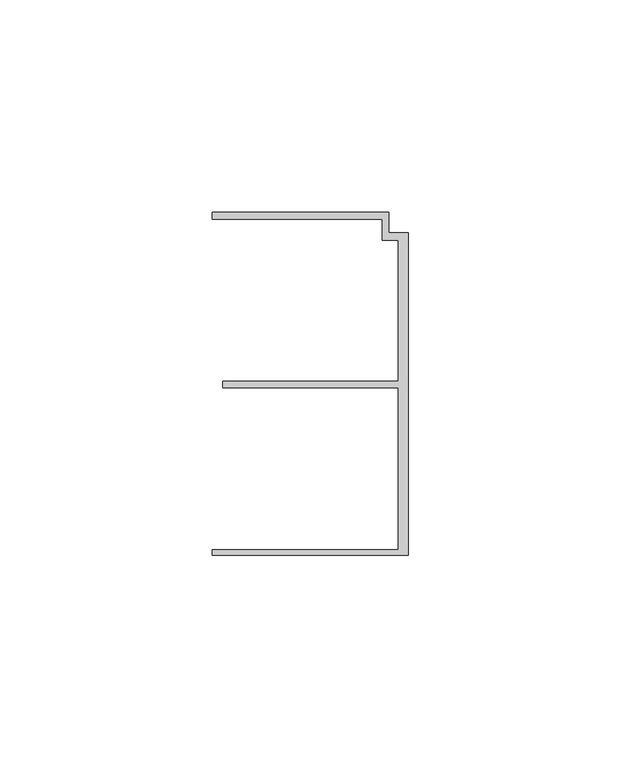
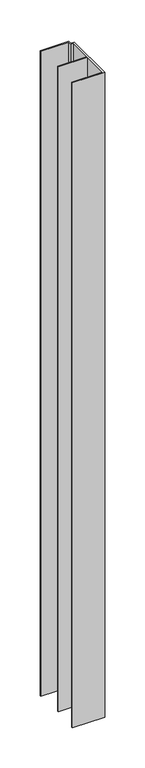
"""IFC4 building model written with IfcOpenShell, lengths in millimetres: member geometry."""

import ifcopenshell
import ifcopenshell.guid

model = None  # the IFC model being written
_history = None  # IfcOwnerHistory: only IFC2X3 demands one
_inside = {}  # id of a spatial element -> (the spatial element, [elements in it])
_under = {}  # id of a project, library or spatial element -> (it, [spatial elements below it])
_declared = {}  # id of a project -> (the project, [libraries it declares])
_typed = {}  # id of a type object -> (the type object, [elements of that type])
_made_of = {}  # id of a material, layer set ... -> (it, [elements and type objects made of it])


def new_model(schema):
    """Start an empty IFC model of exactly this schema.

    Asked for "IFC4X3", IfcOpenShell would pick the latest addendum, in which some entities
    have other attributes; the version numbers below select the first issue.
    IFC2X3 requires an IfcOwnerHistory on every rooted entity: one is made here for all.
    """
    global model, _history
    if schema == "IFC4X3":
        model = ifcopenshell.file(schema_version=(4, 3, 0, 0))
    else:
        model = ifcopenshell.file(schema=schema)
    _inside.clear()
    _under.clear()
    _declared.clear()
    _typed.clear()
    _made_of.clear()
    _history = None
    if model.schema == "IFC2X3":
        org = make("IfcOrganization", Name="unknown")
        user = make(
            "IfcPersonAndOrganization",
            ThePerson=make("IfcPerson", FamilyName="unknown"),
            TheOrganization=org,
        )
        app = make(
            "IfcApplication",
            ApplicationDeveloper=org,
            Version="unknown",
            ApplicationFullName="unknown",
            ApplicationIdentifier="unknown",
        )
        _history = make(
            "IfcOwnerHistory",
            OwningUser=user,
            OwningApplication=app,
            ChangeAction="ADDED",
            CreationDate=0,
        )
    return model


def make(cls, **values):
    """One entity of the class cls with the attributes given. An attribute that is None is left unset."""
    return model.create_entity(
        cls, **{name: value for name, value in values.items() if value is not None}
    )


def rooted(cls, **values):
    """An entity with a GlobalId (a new one), such as an element, a storey or a relation."""
    return make(cls, GlobalId=ifcopenshell.guid.new(), OwnerHistory=_history, **values)


def si_unit(unit_type, name, prefix=None):
    """IfcSIUnit, for example si_unit("LENGTHUNIT", "METRE", prefix="MILLI")."""
    return make("IfcSIUnit", UnitType=unit_type, Prefix=prefix, Name=name)


def assignment(units):
    """IfcUnitAssignment: the units of a project."""
    return None if units is None else make("IfcUnitAssignment", Units=units)


def point(xyz):
    """IfcCartesianPoint."""
    return None if xyz is None else make("IfcCartesianPoint", Coordinates=xyz)


def direction(xyz):
    """IfcDirection."""
    return None if xyz is None else make("IfcDirection", DirectionRatios=xyz)


def frame(location, z_axis=None, x_axis=None):
    """IfcAxis2Placement3D, a coordinate frame: its origin and axes. An axis left out is left unset."""
    return make(
        "IfcAxis2Placement3D",
        Location=point(location),
        Axis=direction(z_axis),
        RefDirection=direction(x_axis),
    )


def origin():
    """The frame at (0, 0, 0) with its axes left unset."""
    return frame((0.0, 0.0, 0.0))


def place(relative_to, where):
    """IfcLocalPlacement: puts the frame where relative to a parent placement (None: the world)."""
    return make(
        "IfcLocalPlacement", PlacementRelTo=relative_to, RelativePlacement=where
    )


def context(
    kind, dimensions, precision=None, world=None, true_north=None, identifier=None
):
    """IfcGeometricRepresentationContext, for example the 3D "Model" context."""
    return make(
        "IfcGeometricRepresentationContext",
        ContextIdentifier=identifier,
        ContextType=kind,
        CoordinateSpaceDimension=dimensions,
        Precision=precision,
        WorldCoordinateSystem=world,
        TrueNorth=true_north,
    )


def project(units=None, contexts=None):
    """IfcProject with its units and contexts."""
    return rooted(
        "IfcProject",
        Name="project",
        RepresentationContexts=contexts,
        UnitsInContext=assignment(units),
    )


def spatial(cls, under=None, at=None, **own):
    """A site, building, storey or space (cls), placed at a placement, below another one or the project."""
    s = rooted(cls, ObjectPlacement=at, **own)
    if under is not None:
        _under.setdefault(under.id(), (under, []))[1].append(s)
    return s


def polyline(points):
    """IfcPolyline through the points."""
    return make("IfcPolyline", Points=[point(p) for p in points])


def outline(outer, holes=None, kind="AREA"):
    """IfcArbitraryClosedProfileDef: a profile drawn as a closed curve; with holes, ...WithVoids."""
    if holes is None:
        return make("IfcArbitraryClosedProfileDef", ProfileType=kind, OuterCurve=outer)
    return make(
        "IfcArbitraryProfileDefWithVoids",
        ProfileType=kind,
        OuterCurve=outer,
        InnerCurves=holes,
    )


def extrude(swept, where, along, depth):
    """IfcExtrudedAreaSolid: the profile swept, set in the frame where, extruded along a direction by depth."""
    return make(
        "IfcExtrudedAreaSolid",
        SweptArea=swept,
        Position=where,
        ExtrudedDirection=direction(along),
        Depth=depth,
    )


def shape(context_of_items, identifier, shape_type, items):
    """IfcShapeRepresentation: the items that make up one representation, for example the "Body"."""
    return make(
        "IfcShapeRepresentation",
        ContextOfItems=context_of_items,
        RepresentationIdentifier=identifier,
        RepresentationType=shape_type,
        Items=items,
    )


def source(mapping_origin, context_of_items, identifier, shape_type, items):
    """IfcRepresentationMap: a shape defined once, which mapped items show again and again."""
    return make(
        "IfcRepresentationMap",
        MappingOrigin=mapping_origin,
        MappedRepresentation=shape(context_of_items, identifier, shape_type, items),
    )


def transform(
    local_origin,
    x_axis=None,
    y_axis=None,
    z_axis=None,
    scale=None,
    scale2=None,
    scale3=None,
    uniform=True,
):
    """IfcCartesianTransformationOperator3D, or its non-uniform kind. x_axis, y_axis, z_axis: its Axis1, 2, 3."""
    if uniform:
        return make(
            "IfcCartesianTransformationOperator3D",
            Axis1=direction(x_axis),
            Axis2=direction(y_axis),
            LocalOrigin=point(local_origin),
            Scale=scale,
            Axis3=direction(z_axis),
        )
    return make(
        "IfcCartesianTransformationOperator3DnonUniform",
        Axis1=direction(x_axis),
        Axis2=direction(y_axis),
        LocalOrigin=point(local_origin),
        Scale=scale,
        Axis3=direction(z_axis),
        Scale2=scale2,
        Scale3=scale3,
    )


def mapped(mapping_source, mapping_target):
    """IfcMappedItem: shows the shape of a source again, moved by a transform."""
    return make(
        "IfcMappedItem", MappingSource=mapping_source, MappingTarget=mapping_target
    )


def made_of(thing, what):
    """Note that an element or type object is made of a material, layer set ...; save() writes the relation."""
    if what is not None:
        _made_of.setdefault(what.id(), (what, []))[1].append(thing)
    return thing


def element(
    cls,
    number,
    at=None,
    inside=None,
    cuts=None,
    type_object=None,
    material=None,
    context=None,
    identifier="Body",
    shape_type=None,
    held_by="IfcProductDefinitionShape",
    body=None,
    shapes=None,
    **own,
):
    """One element of the class cls, such as IfcWall. Its Tag is "e" and its number.

    at: its placement. inside: the storey or other place that contains it. cuts: it is an
    opening in that element (IfcRelVoidsElement). A single representation is given by context,
    identifier, shape_type and body (its items); several are given by shapes. held_by: the class
    of the entity that holds the representations. save() writes the other relations.
    """
    e = rooted(cls, Tag="e%d" % number, ObjectPlacement=at, **own)
    if body is not None:
        shapes = [shape(context, identifier, shape_type, body)]
    if shapes is not None:
        e.Representation = make(held_by, Representations=shapes)
    if inside is not None:
        _inside.setdefault(inside.id(), (inside, []))[1].append(e)
    if cuts is not None:
        rooted(
            "IfcRelVoidsElement", RelatingBuildingElement=cuts, RelatedOpeningElement=e
        )
    if type_object is not None:
        _typed.setdefault(type_object.id(), (type_object, []))[1].append(e)
    return made_of(e, material)


def aggregate(whole, parts):
    """IfcRelAggregates: a whole, such as a stair, and the parts it consists of."""
    return rooted("IfcRelAggregates", RelatingObject=whole, RelatedObjects=parts)


def save(model, path):
    """Write the relations noted so far, then the file.

    IfcRelAggregates (storeys below a building ...), IfcRelContainedInSpatialStructure (elements
    in a storey), IfcRelDefinesByType, IfcRelAssociatesMaterial and IfcRelDeclares: one each for
    every whole, place, type object, material and project.
    """
    for whole, parts in _under.values():
        aggregate(whole, parts)
    for where, things in _inside.values():
        rooted(
            "IfcRelContainedInSpatialStructure",
            RelatedElements=things,
            RelatingStructure=where,
        )
    for kind, things in _typed.values():
        rooted("IfcRelDefinesByType", RelatedObjects=things, RelatingType=kind)
    for what, things in _made_of.values():
        rooted("IfcRelAssociatesMaterial", RelatedObjects=things, RelatingMaterial=what)
    for by, libraries in _declared.values():
        rooted("IfcRelDeclares", RelatingContext=by, RelatedDefinitions=libraries)
    model.write(path)


def member_af716996(model_context):
    return source(origin(), model_context, "Body", "SweptSolid", [
        extrude(outline(polyline([(-6.2, 33.95), (-6.2, 38.95), (-46.3, 38.95), (-46.3, 40.65), (-4.6999992, 40.65), (-4.6999992, 35.75), (0.0, 35.75), (0.0, -40.25), (-46.3, -40.25), (-46.3, -38.95), (-2.4, -38.95), (-2.4, -0.75), (-43.8, -0.75), (-43.8, 0.75), (-2.4, 0.75), (-2.4, 33.95), (-6.2, 33.95)])), frame((0.0, 0.0, -982.5), z_axis=(0.0, 0.0, 1.0), x_axis=(1.0, 0.0, 0.0)), (0.0, 0.0, 1.0), 982.5),
    ])


if __name__ == "__main__":
    model = new_model("IFC4")
    model_context = context("Model", 3, world=origin())
    ifc_project = project(units=[si_unit("LENGTHUNIT", "METRE", prefix="MILLI")], contexts=[model_context])
    site = spatial("IfcSite", under=ifc_project)
    building = spatial("IfcBuilding", under=site)
    placement = place(None, origin())
    member_shape = member_af716996(model_context)
    element("IfcMember", 1, at=placement, inside=building, context=model_context, shape_type="MappedRepresentation", body=[
        mapped(member_shape, transform((0.0, 0.0, 0.0), x_axis=(1.0, 0.0, 0.0), y_axis=(0.0, 1.0, 0.0), z_axis=(0.0, 0.0, 1.0))),
    ])
    save(model, "model.ifc")
